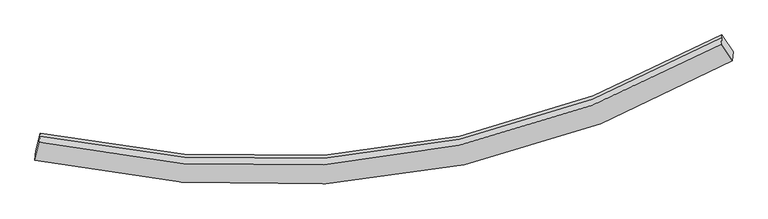
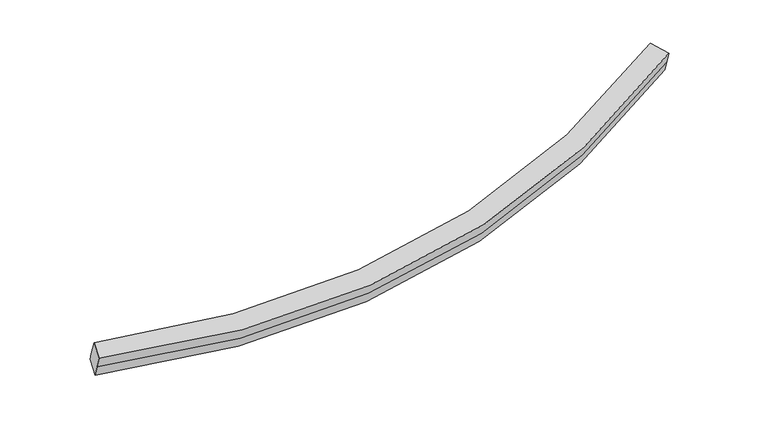
"""IFC4 building model written with IfcOpenShell, lengths in millimetres: proxy geometry."""

from ifc_helpers import new_model, si_unit, frame, origin, place, context, project, spatial, source, transform, mapped, element, save
from ifc_brep_helpers import plane_surface, spline_curve, spline_surface, advanced_brep


def generic_models_4d8d14a4(model_context):
    return source(origin(), model_context, "Body", "AdvancedBrep", [
        advanced_brep(
        [(-5555.1736835, -2320.9450226, 1764.2709429), (-5549.191619, -2251.7751504, 1573.2199725), (4795.5336127, -782.1819556, 2438.269359), (4789.6301713, -850.4427184, 2626.8093193), (-5489.7325085, -2058.6652372, 1861.2782102), (4623.9335309, -600.4694538, 2712.1237814), (-5481.7459722, -1966.3179052, 1606.2098282), (4631.9958524, -507.2458268, 2454.6350247), (-5477.8612556, -1921.3994076, 1482.1424809), (4635.7404137, -463.9479284, 2335.0438609), (-5543.2095545, -2182.6052782, 1382.1690022), (4801.4370541, -713.9211929, 2249.7293988)],
        [
            (0, 1),
            (1, 2, spline_curve(3, [(-5549.191619, -2251.7751504, 1573.2199725), (-3326.551587561, -2737.489871214, 1457.932944152), (-1203.635956042, -2759.655181611, 1513.807375651), (2190.683295817, -2019.142607089, 1894.706760626), (3516.009408885, -1507.112898124, 2127.182124995), (4795.5336127, -782.1819556, 2438.269359)], [4, 2, 4], [0.0, 20.91953655961822, 35.09682358909417])),
            (2, 3),
            (3, 0, spline_curve(3, [(4789.6301713, -850.4427184, 2626.8093193), (3510.100818767, -1575.433196551, 2315.886524812), (2184.767360576, -2087.547838716, 2083.645752306), (-1209.575513784, -2828.333548417, 1703.500780573), (-3332.510006708, -2806.386340412, 1648.228761121), (-5555.1736835, -2320.9450226, 1764.2709429)], [4, 2, 4], [0.0, 14.177287029475952, 35.09682358909417])),
            (4, 0),
            (3, 5),
            (5, 4, spline_curve(3, [(4623.9335309, -600.4694538, 2712.1237814), (3373.714422399, -1306.9067808, 2408.83588581), (2078.423282055, -1807.293410932, 2181.781897784), (-1239.735522205, -2535.941725647, 1808.41668786), (-3315.666395646, -2521.620357076, 1751.85548503), (-5489.7325085, -2058.6652372, 1861.2782102)], [4, 2, 4], [0.0, 14.018673198424203, 34.70416442689765])),
            (6, 4),
            (5, 7),
            (7, 6, spline_curve(3, [(4631.9958524, -507.2458268, 2454.6350247), (3381.618668287, -1215.510965105, 2156.395643731), (2086.229184516, -1717.034728678, 1932.48248156), (-1232.025204755, -2446.788275753, 1562.169981464), (-3307.88299582, -2431.62187123, 1503.274745187), (-5481.7459722, -1966.3179052, 1606.2098282)], [4, 2, 4], [0.0, 13.86006109745906, 34.3115095476464])),
            (8, 6),
            (7, 9),
            (9, 8, spline_curve(3, [(4635.7404137, -463.9479284, 2335.0438609), (3385.540077986, -1170.168187401, 2031.156411424), (2090.263628572, -1670.384949701, 1803.633240214), (-1227.868913431, -2398.729594614, 1429.429276189), (-3303.793020413, -2384.329991816, 1372.651987016), (-5477.8612556, -1921.3994076, 1482.1424809)], [4, 2, 4], [0.0, 13.860063217630493, 34.31151479627279])),
            (10, 8),
            (9, 11),
            (11, 10, spline_curve(3, [(4801.4370541, -713.9211929, 2249.7293988), (3521.917999118, -1438.792600456, 1938.477725227), (2196.599231454, -1950.737375512, 1705.767769161), (-1197.696398885, -2690.976814731, 1324.113970659), (-3320.593167797, -2668.593401641, 1267.637127419), (-5543.2095545, -2182.6052782, 1382.1690022)], [4, 2, 4], [0.0, 14.018676760334163, 34.70417324464432])),
            (1, 10),
            (11, 2),
        ],
        [
            spline_surface(3, 3, [[(-5555.1736835, -2320.9450226, 1764.2709429), (-3332.510006912, -2806.386340314, 1648.22876103), (-1209.575513572, -2828.333548142, 1703.500780629), (2184.767360432, -2087.547838902, 2083.645752268), (3510.100818699, -1575.433196336, 2315.886524793), (4789.6301713, -850.4427184, 2626.8093193)], [(-5553.179661999, -2297.888398534, 1700.587286126), (-3330.523867038, -2783.420850527, 1584.79682212), (-1207.59566114, -2805.440759266, 1640.269645612), (2186.739338962, -2064.746094989, 2020.666088419), (3512.070348768, -1552.659763674, 2252.985058168), (4791.597985093, -827.689130823, 2563.962665885)], [(-5551.185640501, -2274.831774466, 1636.903629274), (-3328.537727167, -2760.455360738, 1521.36488313), (-1205.615808735, -2782.547970386, 1577.038510569), (2188.711317464, -2041.944351071, 1957.686424542), (3514.039878858, -1529.886330943, 2190.08359149), (4793.565798907, -804.935543177, 2501.116012415)], [(-5549.191619, -2251.7751504, 1573.2199725), (-3326.551587293, -2737.489870951, 1457.93294422), (-1203.635956302, -2759.65518151, 1513.807375553), (2190.683295993, -2019.142607158, 1894.706760692), (3516.009408927, -1507.112898282, 2127.182124865), (4795.5336127, -782.1819556, 2438.269359)]], [4, 4], [4, 2, 4], [0.0, 0.6614045314418215], [0.0, 20.91953655961822, 35.09682358909417]),
            spline_surface(3, 3, [[(-5489.7325085, -2058.6652372, 1861.2782102), (-3315.666395489, -2521.620356988, 1751.855485298), (-1239.735522537, -2535.941725742, 1808.416687794), (2078.42328228, -1807.293410868, 2181.781897829), (3373.714422425, -1306.906780977, 2408.835885765), (4623.9335309, -600.4694538, 2712.1237814)], [(-5511.546233474, -2146.09183232, 1828.942454403), (-3321.280932604, -2616.542351417, 1717.313243845), (-1229.682186234, -2633.405666525, 1773.44471874), (2113.871308313, -1900.711553529, 2149.06984931), (3419.176554521, -1396.415586085, 2377.852765431), (4679.165744371, -683.793875321, 2683.685627357)], [(-5533.359958526, -2233.51842748, 1796.606698697), (-3326.895469797, -2711.464345885, 1682.771002483), (-1219.628849876, -2730.869607359, 1738.472749682), (2149.319334399, -1994.129696241, 2116.357800787), (3464.638686604, -1485.924391228, 2346.869645127), (4734.397957829, -767.118296879, 2655.247473343)], [(-5555.1736835, -2320.9450226, 1764.2709429), (-3332.510006912, -2806.386340314, 1648.22876103), (-1209.575513572, -2828.333548142, 1703.500780629), (2184.767360432, -2087.547838902, 2083.645752268), (3510.100818699, -1575.433196336, 2315.886524793), (4789.6301713, -850.4427184, 2626.8093193)]], [4, 4], [4, 2, 4], [0.0, 1.0165547991616175], [0.0, 20.685491228473445, 34.70416442689765]),
            spline_surface(3, 3, [[(-5481.7459722, -1966.3179052, 1606.2098282), (-3307.882996048, -2431.621871365, 1503.274745464), (-1232.02520478, -2446.788275458, 1562.169981752), (2086.229184533, -1717.034728878, 1932.482481365), (3381.618668091, -1215.510965311, 2156.395643943), (4631.9958524, -507.2458268, 2454.6350247)], [(-5484.408150974, -1997.100349204, 1691.232622213), (-3310.477462536, -2461.621366578, 1586.134992088), (-1234.595310682, -2476.506092226, 1644.252217109), (2083.627217132, -1747.120956215, 2015.582286862), (3378.983919525, -1245.976237202, 2240.54239123), (4629.308411889, -538.320369136, 2540.46461028)], [(-5487.070329726, -2027.882793196, 1776.255416187), (-3313.071929001, -2491.620861776, 1668.995238674), (-1237.165416635, -2506.223908974, 1726.334452437), (2081.025249681, -1777.207183531, 2098.682092332), (3376.349170991, -1276.441509086, 2324.689138477), (4626.620971411, -569.394911464, 2626.29419582)], [(-5489.7325085, -2058.6652372, 1861.2782102), (-3315.666395489, -2521.620356988, 1751.855485298), (-1239.735522537, -2535.941725742, 1808.416687794), (2078.42328228, -1807.293410868, 2181.781897829), (3373.714422425, -1306.906780977, 2408.835885765), (4623.9335309, -600.4694538, 2712.1237814)]], [4, 4], [4, 2, 4], [0.0, 0.863998323267781], [0.0, 20.451448450187343, 34.3115095476464]),
            spline_surface(3, 3, [[(-5477.8612556, -1921.3994076, 1482.1424809), (-3303.793020658, -2384.329991758, 1372.651987245), (-1227.868913598, -2398.729594334, 1429.42927598), (2090.263628685, -1670.384949891, 1803.633240356), (3385.540078063, -1170.168187582, 2031.156411589), (4635.7404137, -463.9479284, 2335.0438609)], [(-5479.156161131, -1936.372240148, 1523.49826335), (-3305.156345786, -2400.093951642, 1416.192906667), (-1229.254343994, -2414.749154698, 1473.67617791), (2088.918813966, -1685.93487621, 1846.582987365), (3384.23294143, -1185.282446844, 2072.902822357), (4634.492226625, -478.380561219, 2374.90758215)], [(-5480.451066669, -1951.345072652, 1564.85404575), (-3306.51967092, -2415.857911482, 1459.733826041), (-1230.639774384, -2430.768715094, 1517.923079822), (2087.573999252, -1701.484802559, 1889.532734356), (3382.925804723, -1200.396706049, 2114.649233174), (4633.244039475, -492.813193981, 2414.77130345)], [(-5481.7459722, -1966.3179052, 1606.2098282), (-3307.882996048, -2431.621871365, 1503.274745464), (-1232.02520478, -2446.788275458, 1562.169981752), (2086.229184533, -1717.034728878, 1932.482481365), (3381.618668091, -1215.510965311, 2156.395643943), (4631.9958524, -507.2458268, 2454.6350247)]], [4, 4], [4, 2, 4], [0.0, 0.4579764542425103], [0.0, 20.451451578642295, 34.31151479627279]),
            spline_surface(3, 3, [[(-5543.2095545, -2182.6052782, 1382.1690022), (-3320.593167674, -2668.593401588, 1267.637127509), (-1197.696399033, -2690.976814877, 1324.113970578), (2196.599231555, -1950.737375413, 1705.767769216), (3521.917999154, -1438.792600328, 1938.477725038), (4801.4370541, -713.9211929, 2249.7293988)], [(-5521.426788223, -2095.53665466, 1415.493495082), (-3314.993118691, -2573.838931638, 1302.642080736), (-1207.753903903, -2593.561074713, 1359.219072377), (2161.154030583, -1857.286566923, 1738.389592928), (3476.458692119, -1349.251129391, 1969.370620564), (4746.204840629, -630.596771379, 2278.167552843)], [(-5499.644021877, -2008.46803114, 1448.817988018), (-3309.393069641, -2479.084461708, 1337.647034018), (-1217.811408728, -2496.145334498, 1394.32417418), (2125.708829657, -1763.835758381, 1771.011416644), (3430.999385097, -1259.709658518, 2000.263516062), (4690.972627171, -547.272349921, 2306.605706857)], [(-5477.8612556, -1921.3994076, 1482.1424809), (-3303.793020658, -2384.329991758, 1372.651987245), (-1227.868913598, -2398.729594334, 1429.42927598), (2090.263628685, -1670.384949891, 1803.633240356), (3385.540078063, -1170.168187582, 2031.156411589), (4635.7404137, -463.9479284, 2335.0438609)]], [4, 4], [4, 2, 4], [0.0, 1.0165551415100165], [0.0, 20.68549648431016, 34.70417324464432]),
            spline_surface(3, 3, [[(-5549.191619, -2251.7751504, 1573.2199725), (-3326.551587293, -2737.489870951, 1457.93294422), (-1203.635956302, -2759.65518151, 1513.807375553), (2190.683295993, -2019.142607158, 1894.706760692), (3516.009408927, -1507.112898282, 2127.182124865), (4795.5336127, -782.1819556, 2438.269359)], [(-5547.197597499, -2228.718526334, 1509.536315726), (-3324.565447419, -2714.524381164, 1394.501005309), (-1201.65610387, -2736.762392634, 1450.576240537), (2192.655274523, -1996.340863244, 1831.727096842), (3517.978938995, -1484.33946562, 2064.280658241), (4797.501426493, -759.428368023, 2375.422705585)], [(-5545.203576001, -2205.661902266, 1445.852658974), (-3322.579307548, -2691.558891375, 1331.06906642), (-1199.676251465, -2713.869603753, 1387.345105594), (2194.627253025, -1973.539119326, 1768.747433066), (3519.948469085, -1461.56603299, 2001.379191662), (4799.469240307, -736.674780477, 2312.576052215)], [(-5543.2095545, -2182.6052782, 1382.1690022), (-3320.593167674, -2668.593401588, 1267.637127509), (-1197.696399033, -2690.976814877, 1324.113970578), (2196.599231555, -1950.737375413, 1705.767769216), (3521.917999154, -1438.792600328, 1938.477725038), (4801.4370541, -713.9211929, 2249.7293988)]], [4, 4], [4, 2, 4], [0.0, 0.6614045314418138], [0.0, 20.91953758176858, 35.09682530396155]),
            plane_surface(frame((4712.6852925, -657.1953234, 2480.9265901), z_axis=(0.8465996692740199, 0.49140691995146846, 0.20442171853531524), x_axis=(-0.029428430536108264, -0.3402773036129672, 0.9398645243449026))),
            plane_surface(frame((-5516.4942505, -2120.9037364, 1622.465159), z_axis=(-0.9732492015897114, 0.2240971002272058, 0.05066045079494795), x_axis=(-0.029428430536129334, -0.34027730361304875, 0.9398645243448724))),
        ],
        [
            (0, [[1, 2, 3, 4]]),
            (1, [[5, -4, 6, 7]]),
            (2, [[8, -7, 9, 10]]),
            (3, [[11, -10, 12, 13]]),
            (4, [[14, -13, 15, 16]]),
            (5, [[17, -16, 18, -2]]),
            (6, [[-12, -9, -6, -3, -18, -15]]),
            (7, [[-1, -5, -8, -11, -14, -17]]),
        ],
    ),
    ])


if __name__ == "__main__":
    model = new_model("IFC4")
    model_context = context("Model", 3, world=origin())
    ifc_project = project(units=[si_unit("LENGTHUNIT", "METRE", prefix="MILLI")], contexts=[model_context])
    site = spatial("IfcSite", under=ifc_project)
    building = spatial("IfcBuilding", under=site)
    placement = place(None, origin())
    generic_models_shape = generic_models_4d8d14a4(model_context)
    element("IfcBuildingElementProxy", 1, Name="Generic Models", at=placement, inside=building, context=model_context, shape_type="MappedRepresentation", body=[
        mapped(generic_models_shape, transform((0.0, 0.0, 0.0), x_axis=(1.0, 0.0, 0.0), y_axis=(0.0, 1.0, 0.0), z_axis=(0.0, 0.0, 1.0))),
    ])
    save(model, "model.ifc")
